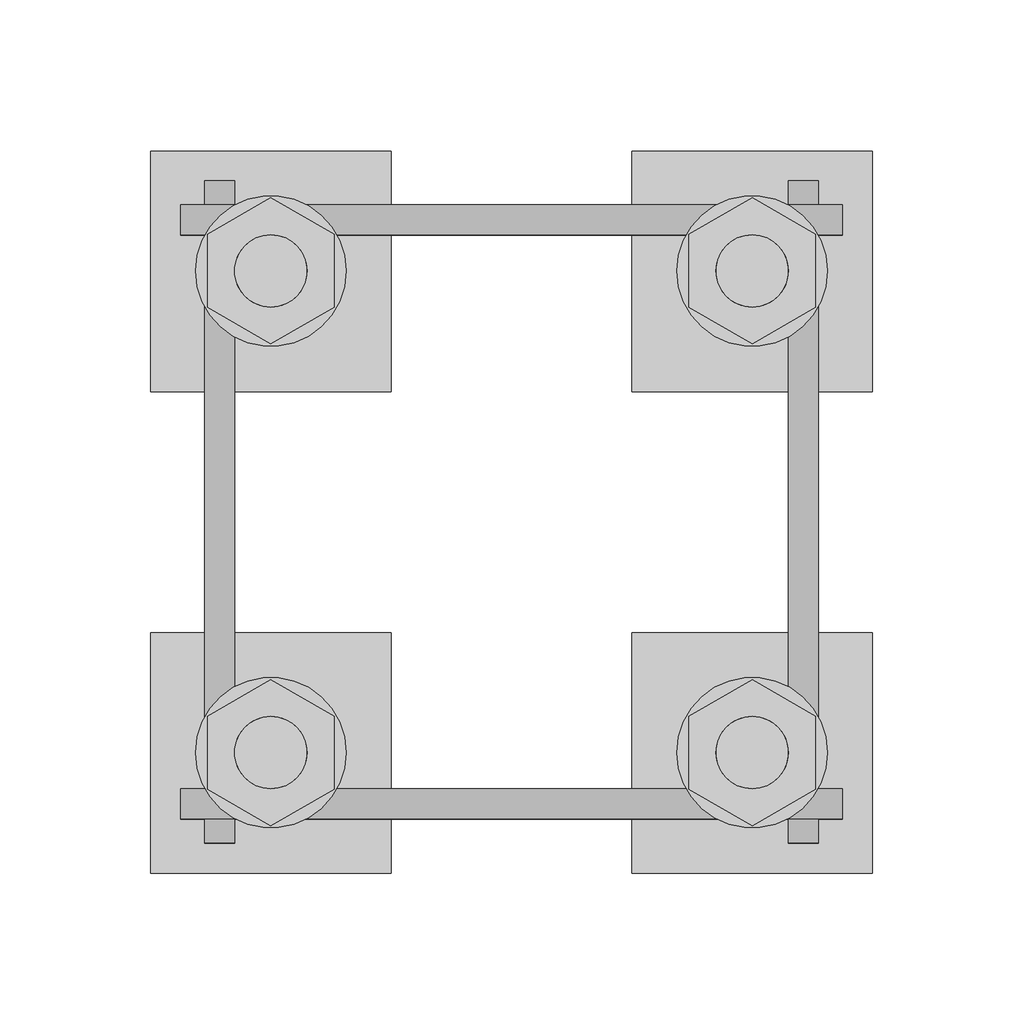
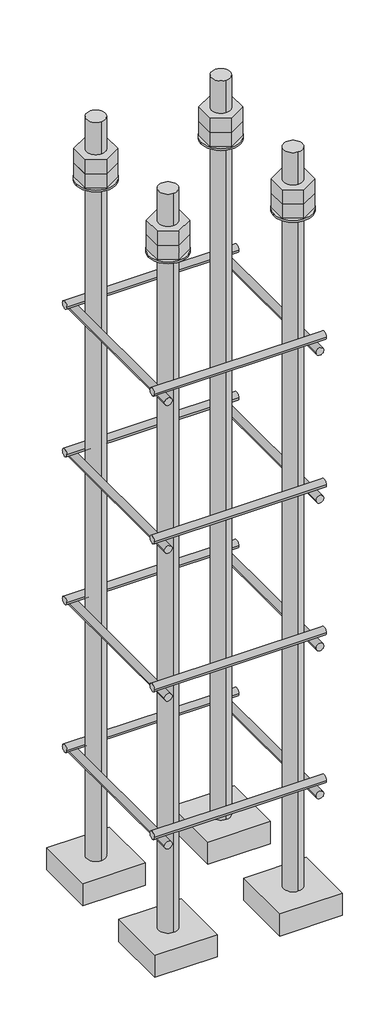
# One storey, part 14 of 66: 1 fastener.
"""IFC4 building model written with IfcOpenShell, lengths in millimetres."""

from ifc_helpers import new_model, si_unit, point, frame, frame_2d, origin, place, context, project, spatial, polyline, circle_curve, trimmed, segment, composite_curve, outline, extrude, element, save
from ifc_brep_helpers import plane_surface, cylinder_surface, advanced_brep

model = new_model("IFC4")

# Units and contexts
model_context = context("Model", 3, world=origin())
ifc_project = project(units=[si_unit("LENGTHUNIT", "METRE", prefix="MILLI")], contexts=[model_context])

# Site, building, storey
site = spatial("IfcSite", under=ifc_project)
building = spatial("IfcBuilding", under=site)
storey = spatial("IfcBuildingStorey", under=building, Elevation=9070.0)

# Fastener
placement = place(None, origin())
element("IfcFastener", 1, ObjectType="AU1 : AU-01", at=placement, inside=storey, context=model_context, shape_type="SolidModel", body=[
    extrude(outline(composite_curve([segment(trimmed(circle_curve(frame_2d((26703.0, 8395.0)), 5.0), [point((26698.0, 8395.0))], [point((26708.0, 8395.0))], False, "CARTESIAN"), True, "CONTINUOUS"), segment(trimmed(circle_curve(frame_2d((26703.0, 8395.0)), 5.0), [point((26708.0, 8395.0))], [point((26698.0, 8395.0))], False, "CARTESIAN"), True, "CONTINUOUS")], self_intersect=False)), frame((18890.0, 0.0, 0.0), z_axis=(1.0, 0.0, 0.0), x_axis=(0.0, 1.0, 0.0)), (0.0, 0.0, 1.0), 220.0),
    extrude(outline(composite_curve([segment(trimmed(circle_curve(frame_2d((26897.0, 8395.0)), 5.0), [point((26902.0, 8395.0))], [point((26892.0, 8395.0))], False, "CARTESIAN"), True, "CONTINUOUS"), segment(trimmed(circle_curve(frame_2d((26897.0, 8395.0)), 5.0), [point((26892.0, 8395.0))], [point((26902.0, 8395.0))], False, "CARTESIAN"), True, "CONTINUOUS")], self_intersect=False)), frame((18890.0, 0.0, 0.0), z_axis=(1.0, 0.0, 0.0), x_axis=(0.0, 1.0, 0.0)), (0.0, 0.0, 1.0), 220.0),
    extrude(outline(composite_curve([segment(trimmed(circle_curve(frame_2d((8385.0, 18903.0)), 5.0), [point((8385.0, 18898.0))], [point((8385.0, 18908.0))], False, "CARTESIAN"), True, "CONTINUOUS"), segment(trimmed(circle_curve(frame_2d((8385.0, 18903.0)), 5.0), [point((8385.0, 18908.0))], [point((8385.0, 18898.0))], False, "CARTESIAN"), True, "CONTINUOUS")], self_intersect=False)), frame((0.0, 26690.0, 0.0), z_axis=(0.0, 1.0, 0.0), x_axis=(0.0, 0.0, 1.0)), (0.0, 0.0, 1.0), 220.0),
    extrude(outline(composite_curve([segment(trimmed(circle_curve(frame_2d((8385.0, 19097.0)), 5.0), [point((8385.0, 19102.0))], [point((8385.0, 19092.0))], False, "CARTESIAN"), True, "CONTINUOUS"), segment(trimmed(circle_curve(frame_2d((8385.0, 19097.0)), 5.0), [point((8385.0, 19092.0))], [point((8385.0, 19102.0))], False, "CARTESIAN"), True, "CONTINUOUS")], self_intersect=False)), frame((0.0, 26690.0, 0.0), z_axis=(0.0, 1.0, 0.0), x_axis=(0.0, 0.0, 1.0)), (0.0, 0.0, 1.0), 220.0),
    extrude(outline(composite_curve([segment(trimmed(circle_curve(frame_2d((26703.0, 8595.0)), 5.0), [point((26698.0, 8595.0))], [point((26708.0, 8595.0))], False, "CARTESIAN"), True, "CONTINUOUS"), segment(trimmed(circle_curve(frame_2d((26703.0, 8595.0)), 5.0), [point((26708.0, 8595.0))], [point((26698.0, 8595.0))], False, "CARTESIAN"), True, "CONTINUOUS")], self_intersect=False)), frame((18890.0, 0.0, 0.0), z_axis=(1.0, 0.0, 0.0), x_axis=(0.0, 1.0, 0.0)), (0.0, 0.0, 1.0), 220.0),
    extrude(outline(composite_curve([segment(trimmed(circle_curve(frame_2d((26897.0, 8595.0)), 5.0), [point((26902.0, 8595.0))], [point((26892.0, 8595.0))], False, "CARTESIAN"), True, "CONTINUOUS"), segment(trimmed(circle_curve(frame_2d((26897.0, 8595.0)), 5.0), [point((26892.0, 8595.0))], [point((26902.0, 8595.0))], False, "CARTESIAN"), True, "CONTINUOUS")], self_intersect=False)), frame((18890.0, 0.0, 0.0), z_axis=(1.0, 0.0, 0.0), x_axis=(0.0, 1.0, 0.0)), (0.0, 0.0, 1.0), 220.0),
    extrude(outline(composite_curve([segment(trimmed(circle_curve(frame_2d((8585.0, 18903.0)), 5.0), [point((8585.0, 18898.0))], [point((8585.0, 18908.0))], False, "CARTESIAN"), True, "CONTINUOUS"), segment(trimmed(circle_curve(frame_2d((8585.0, 18903.0)), 5.0), [point((8585.0, 18908.0))], [point((8585.0, 18898.0))], False, "CARTESIAN"), True, "CONTINUOUS")], self_intersect=False)), frame((0.0, 26690.0, 0.0), z_axis=(0.0, 1.0, 0.0), x_axis=(0.0, 0.0, 1.0)), (0.0, 0.0, 1.0), 220.0),
    extrude(outline(composite_curve([segment(trimmed(circle_curve(frame_2d((8585.0, 19097.0)), 5.0), [point((8585.0, 19102.0))], [point((8585.0, 19092.0))], False, "CARTESIAN"), True, "CONTINUOUS"), segment(trimmed(circle_curve(frame_2d((8585.0, 19097.0)), 5.0), [point((8585.0, 19092.0))], [point((8585.0, 19102.0))], False, "CARTESIAN"), True, "CONTINUOUS")], self_intersect=False)), frame((0.0, 26690.0, 0.0), z_axis=(0.0, 1.0, 0.0), x_axis=(0.0, 0.0, 1.0)), (0.0, 0.0, 1.0), 220.0),
    extrude(outline(composite_curve([segment(trimmed(circle_curve(frame_2d((26703.0, 8795.0)), 5.0), [point((26698.0, 8795.0))], [point((26708.0, 8795.0))], False, "CARTESIAN"), True, "CONTINUOUS"), segment(trimmed(circle_curve(frame_2d((26703.0, 8795.0)), 5.0), [point((26708.0, 8795.0))], [point((26698.0, 8795.0))], False, "CARTESIAN"), True, "CONTINUOUS")], self_intersect=False)), frame((18890.0, 0.0, 0.0), z_axis=(1.0, 0.0, 0.0), x_axis=(0.0, 1.0, 0.0)), (0.0, 0.0, 1.0), 220.0),
    extrude(outline(composite_curve([segment(trimmed(circle_curve(frame_2d((26897.0, 8795.0)), 5.0), [point((26902.0, 8795.0))], [point((26892.0, 8795.0))], False, "CARTESIAN"), True, "CONTINUOUS"), segment(trimmed(circle_curve(frame_2d((26897.0, 8795.0)), 5.0), [point((26892.0, 8795.0))], [point((26902.0, 8795.0))], False, "CARTESIAN"), True, "CONTINUOUS")], self_intersect=False)), frame((18890.0, 0.0, 0.0), z_axis=(1.0, 0.0, 0.0), x_axis=(0.0, 1.0, 0.0)), (0.0, 0.0, 1.0), 220.0),
    extrude(outline(composite_curve([segment(trimmed(circle_curve(frame_2d((8785.0, 18903.0)), 5.0), [point((8785.0, 18898.0))], [point((8785.0, 18908.0))], False, "CARTESIAN"), True, "CONTINUOUS"), segment(trimmed(circle_curve(frame_2d((8785.0, 18903.0)), 5.0), [point((8785.0, 18908.0))], [point((8785.0, 18898.0))], False, "CARTESIAN"), True, "CONTINUOUS")], self_intersect=False)), frame((0.0, 26690.0, 0.0), z_axis=(0.0, 1.0, 0.0), x_axis=(0.0, 0.0, 1.0)), (0.0, 0.0, 1.0), 220.0),
    extrude(outline(composite_curve([segment(trimmed(circle_curve(frame_2d((8785.0, 19097.0)), 5.0), [point((8785.0, 19102.0))], [point((8785.0, 19092.0))], False, "CARTESIAN"), True, "CONTINUOUS"), segment(trimmed(circle_curve(frame_2d((8785.0, 19097.0)), 5.0), [point((8785.0, 19092.0))], [point((8785.0, 19102.0))], False, "CARTESIAN"), True, "CONTINUOUS")], self_intersect=False)), frame((0.0, 26690.0, 0.0), z_axis=(0.0, 1.0, 0.0), x_axis=(0.0, 0.0, 1.0)), (0.0, 0.0, 1.0), 220.0),
    extrude(outline(composite_curve([segment(trimmed(circle_curve(frame_2d((26703.0, 8995.0)), 5.0), [point((26698.0, 8995.0))], [point((26708.0, 8995.0))], False, "CARTESIAN"), True, "CONTINUOUS"), segment(trimmed(circle_curve(frame_2d((26703.0, 8995.0)), 5.0), [point((26708.0, 8995.0))], [point((26698.0, 8995.0))], False, "CARTESIAN"), True, "CONTINUOUS")], self_intersect=False)), frame((18890.0, 0.0, 0.0), z_axis=(1.0, 0.0, 0.0), x_axis=(0.0, 1.0, 0.0)), (0.0, 0.0, 1.0), 220.0),
    extrude(outline(composite_curve([segment(trimmed(circle_curve(frame_2d((26897.0, 8995.0)), 5.0), [point((26902.0, 8995.0))], [point((26892.0, 8995.0))], False, "CARTESIAN"), True, "CONTINUOUS"), segment(trimmed(circle_curve(frame_2d((26897.0, 8995.0)), 5.0), [point((26892.0, 8995.0))], [point((26902.0, 8995.0))], False, "CARTESIAN"), True, "CONTINUOUS")], self_intersect=False)), frame((18890.0, 0.0, 0.0), z_axis=(1.0, 0.0, 0.0), x_axis=(0.0, 1.0, 0.0)), (0.0, 0.0, 1.0), 220.0),
    extrude(outline(composite_curve([segment(trimmed(circle_curve(frame_2d((8985.0, 18903.0)), 5.0), [point((8985.0, 18898.0))], [point((8985.0, 18908.0))], False, "CARTESIAN"), True, "CONTINUOUS"), segment(trimmed(circle_curve(frame_2d((8985.0, 18903.0)), 5.0), [point((8985.0, 18908.0))], [point((8985.0, 18898.0))], False, "CARTESIAN"), True, "CONTINUOUS")], self_intersect=False)), frame((0.0, 26690.0, 0.0), z_axis=(0.0, 1.0, 0.0), x_axis=(0.0, 0.0, 1.0)), (0.0, 0.0, 1.0), 220.0),
    extrude(outline(composite_curve([segment(trimmed(circle_curve(frame_2d((8985.0, 19097.0)), 5.0), [point((8985.0, 19102.0))], [point((8985.0, 19092.0))], False, "CARTESIAN"), True, "CONTINUOUS"), segment(trimmed(circle_curve(frame_2d((8985.0, 19097.0)), 5.0), [point((8985.0, 19092.0))], [point((8985.0, 19102.0))], False, "CARTESIAN"), True, "CONTINUOUS")], self_intersect=False)), frame((0.0, 26690.0, 0.0), z_axis=(0.0, 1.0, 0.0), x_axis=(0.0, 0.0, 1.0)), (0.0, 0.0, 1.0), 220.0),
    advanced_brep(
    [(18960.0, 26920.0, 8250.0), (18880.0, 26920.0, 8250.0), (18880.0, 26840.0, 8250.0), (18960.0, 26840.0, 8250.0), (18920.0, 26868.0, 8250.0), (18920.0, 26892.0, 8250.0), (18960.0, 26920.0, 8220.0), (18960.0, 26840.0, 8220.0), (18880.0, 26840.0, 8220.0), (18880.0, 26920.0, 8220.0), (18920.0, 26892.0, 9250.0), (18920.0, 26868.0, 9250.0)],
    [
        (0, 1),
        (1, 2),
        (2, 3),
        (3, 0),
        (4, 5, circle_curve(frame((18920.0, 26880.0, 8250.0), z_axis=(0.0, 0.0, -1.0), x_axis=(0.0, -1.0, 0.0)), 12.0)),
        (5, 4, circle_curve(frame((18920.0, 26880.0, 8250.0), z_axis=(0.0, 0.0, -1.0), x_axis=(0.0, -1.0, 0.0)), 12.0)),
        (6, 7),
        (7, 8),
        (8, 9),
        (9, 6),
        (0, 6),
        (9, 1),
        (8, 2),
        (7, 3),
        (10, 11, circle_curve(frame((18920.0, 26880.0, 9250.0), z_axis=(0.0, 0.0, 1.0), x_axis=(0.0, -1.0, 0.0)), 12.0)),
        (11, 10, circle_curve(frame((18920.0, 26880.0, 9250.0), z_axis=(0.0, 0.0, 1.0), x_axis=(0.0, -1.0, 0.0)), 12.0)),
        (10, 5),
        (4, 11),
    ],
    [
        plane_surface(frame((18880.0, 26920.0, 8250.0), z_axis=(0.0, 0.0, 1.0), x_axis=(-1.0, 0.0, 0.0))),
        plane_surface(frame((18880.0, 26920.0, 8220.0), z_axis=(0.0, 0.0, -1.0), x_axis=(1.0, 0.0, 0.0))),
        plane_surface(frame((18960.0, 26920.0, 8250.0), z_axis=(0.0, 1.0, 0.0), x_axis=(0.0, 0.0, -1.0))),
        plane_surface(frame((18880.0, 26920.0, 8250.0), z_axis=(-1.0, 0.0, 0.0), x_axis=(0.0, 0.0, -1.0))),
        plane_surface(frame((18880.0, 26840.0, 8250.0), z_axis=(0.0, -1.0, 0.0), x_axis=(0.0, 0.0, -1.0))),
        plane_surface(frame((18960.0, 26840.0, 8250.0), z_axis=(1.0, 0.0, 0.0), x_axis=(0.0, 0.0, -1.0))),
        plane_surface(frame((18920.0, 26880.0, 9250.0), z_axis=(0.0, 0.0, 1.0), x_axis=(0.0, -1.0, 0.0))),
        cylinder_surface(frame((18920.0, 26880.0, 9250.0), z_axis=(0.0, 0.0, 1.0), x_axis=(0.0, -1.0, 0.0)), 12.0),
    ],
    [
        (0, [[1, 2, 3, 4], [5, 6]]),
        (1, [[7, 8, 9, 10]]),
        (2, [[-1, 11, -10, 12]]),
        (3, [[-2, -12, -9, 13]]),
        (4, [[-3, -13, -8, 14]]),
        (5, [[-4, -14, -7, -11]]),
        (6, [[15, 16]]),
        (7, [[-15, 17, -5, 18]]),
        (7, [[-16, -18, -6, -17]]),
    ],
),
    extrude(outline(composite_curve([segment(trimmed(circle_curve(frame_2d((18920.0, 26880.0)), 25.0), [point((18945.0, 26880.0))], [point((18895.0, 26880.0))], False, "CARTESIAN"), True, "CONTINUOUS"), segment(trimmed(circle_curve(frame_2d((18920.0, 26880.0)), 25.0), [point((18895.0, 26880.0))], [point((18945.0, 26880.0))], False, "CARTESIAN"), True, "CONTINUOUS")], self_intersect=False), holes=[composite_curve([segment(trimmed(circle_curve(frame_2d((18920.0, 26880.0)), 12.0), [point((18932.0, 26880.0))], [point((18908.0, 26880.0))], True, "CARTESIAN"), True, "CONTINUOUS"), segment(trimmed(circle_curve(frame_2d((18920.0, 26880.0)), 12.0), [point((18908.0, 26880.0))], [point((18932.0, 26880.0))], True, "CARTESIAN"), True, "CONTINUOUS")], self_intersect=False)]), frame((0.0, 0.0, 9165.0), z_axis=(0.0, 0.0, 1.0), x_axis=(1.0, 0.0, 0.0)), (0.0, 0.0, 1.0), 2.5),
    extrude(outline(polyline([(18920.0, 26904.2487113), (18941.0, 26892.1243557), (18941.0, 26867.8756443), (18920.0, 26855.7512887), (18899.0, 26867.8756443), (18899.0, 26892.1243557), (18920.0, 26904.2487113)]), holes=[composite_curve([segment(trimmed(circle_curve(frame_2d((18920.0, 26880.0)), 12.0), [point((18932.0, 26880.0))], [point((18908.0, 26880.0))], True, "CARTESIAN"), True, "CONTINUOUS"), segment(trimmed(circle_curve(frame_2d((18920.0, 26880.0)), 12.0), [point((18908.0, 26880.0))], [point((18932.0, 26880.0))], True, "CARTESIAN"), True, "CONTINUOUS")], self_intersect=False)]), frame((0.0, 0.0, 9187.0), z_axis=(0.0, 0.0, 1.0), x_axis=(1.0, 0.0, 0.0)), (0.0, 0.0, 1.0), 19.5),
    extrude(outline(polyline([(18920.0, 26904.2487113), (18941.0, 26892.1243557), (18941.0, 26867.8756443), (18920.0, 26855.7512887), (18899.0, 26867.8756443), (18899.0, 26892.1243557), (18920.0, 26904.2487113)]), holes=[composite_curve([segment(trimmed(circle_curve(frame_2d((18920.0, 26880.0)), 12.0), [point((18932.0, 26880.0))], [point((18908.0, 26880.0))], True, "CARTESIAN"), True, "CONTINUOUS"), segment(trimmed(circle_curve(frame_2d((18920.0, 26880.0)), 12.0), [point((18908.0, 26880.0))], [point((18932.0, 26880.0))], True, "CARTESIAN"), True, "CONTINUOUS")], self_intersect=False)]), frame((0.0, 0.0, 9167.5), z_axis=(0.0, 0.0, 1.0), x_axis=(1.0, 0.0, 0.0)), (0.0, 0.0, 1.0), 19.5),
    advanced_brep(
    [(19040.0, 26840.0, 8250.0), (19120.0, 26840.0, 8250.0), (19120.0, 26920.0, 8250.0), (19040.0, 26920.0, 8250.0), (19080.0, 26892.0, 8250.0), (19080.0, 26868.0, 8250.0), (19040.0, 26840.0, 8220.0), (19040.0, 26920.0, 8220.0), (19120.0, 26920.0, 8220.0), (19120.0, 26840.0, 8220.0), (19080.0, 26868.0, 9250.0), (19080.0, 26892.0, 9250.0)],
    [
        (0, 1),
        (1, 2),
        (2, 3),
        (3, 0),
        (4, 5, circle_curve(frame((19080.0, 26880.0, 8250.0), z_axis=(0.0, 0.0, -1.0), x_axis=(0.0, 1.0, 0.0)), 12.0)),
        (5, 4, circle_curve(frame((19080.0, 26880.0, 8250.0), z_axis=(0.0, 0.0, -1.0), x_axis=(0.0, 1.0, 0.0)), 12.0)),
        (6, 7),
        (7, 8),
        (8, 9),
        (9, 6),
        (0, 6),
        (9, 1),
        (8, 2),
        (7, 3),
        (10, 11, circle_curve(frame((19080.0, 26880.0, 9250.0), z_axis=(0.0, 0.0, 1.0), x_axis=(0.0, 1.0, 0.0)), 12.0)),
        (11, 10, circle_curve(frame((19080.0, 26880.0, 9250.0), z_axis=(0.0, 0.0, 1.0), x_axis=(0.0, 1.0, 0.0)), 12.0)),
        (10, 5),
        (4, 11),
    ],
    [
        plane_surface(frame((19120.0, 26840.0, 8250.0), z_axis=(0.0, 0.0, 1.0), x_axis=(1.0, 0.0, 0.0))),
        plane_surface(frame((19120.0, 26840.0, 8220.0), z_axis=(0.0, 0.0, -1.0), x_axis=(-1.0, 0.0, 0.0))),
        plane_surface(frame((19040.0, 26840.0, 8250.0), z_axis=(0.0, -1.0, 0.0), x_axis=(0.0, 0.0, -1.0))),
        plane_surface(frame((19120.0, 26840.0, 8250.0), z_axis=(1.0, 0.0, 0.0), x_axis=(0.0, 0.0, -1.0))),
        plane_surface(frame((19120.0, 26920.0, 8250.0), z_axis=(0.0, 1.0, 0.0), x_axis=(0.0, 0.0, -1.0))),
        plane_surface(frame((19040.0, 26920.0, 8250.0), z_axis=(-1.0, 0.0, 0.0), x_axis=(0.0, 0.0, -1.0))),
        plane_surface(frame((19080.0, 26880.0, 9250.0), z_axis=(0.0, 0.0, 1.0), x_axis=(0.0, 1.0, 0.0))),
        cylinder_surface(frame((19080.0, 26880.0, 9250.0), z_axis=(0.0, 0.0, 1.0), x_axis=(0.0, 1.0, 0.0)), 12.0),
    ],
    [
        (0, [[1, 2, 3, 4], [5, 6]]),
        (1, [[7, 8, 9, 10]]),
        (2, [[-1, 11, -10, 12]]),
        (3, [[-2, -12, -9, 13]]),
        (4, [[-3, -13, -8, 14]]),
        (5, [[-4, -14, -7, -11]]),
        (6, [[15, 16]]),
        (7, [[-15, 17, -5, 18]]),
        (7, [[-16, -18, -6, -17]]),
    ],
),
    extrude(outline(composite_curve([segment(trimmed(circle_curve(frame_2d((19080.0, 26880.0)), 25.0), [point((19055.0, 26880.0))], [point((19105.0, 26880.0))], False, "CARTESIAN"), True, "CONTINUOUS"), segment(trimmed(circle_curve(frame_2d((19080.0, 26880.0)), 25.0), [point((19105.0, 26880.0))], [point((19055.0, 26880.0))], False, "CARTESIAN"), True, "CONTINUOUS")], self_intersect=False), holes=[composite_curve([segment(trimmed(circle_curve(frame_2d((19080.0, 26880.0)), 12.0), [point((19068.0, 26880.0))], [point((19092.0, 26880.0))], True, "CARTESIAN"), True, "CONTINUOUS"), segment(trimmed(circle_curve(frame_2d((19080.0, 26880.0)), 12.0), [point((19092.0, 26880.0))], [point((19068.0, 26880.0))], True, "CARTESIAN"), True, "CONTINUOUS")], self_intersect=False)]), frame((0.0, 0.0, 9165.0), z_axis=(0.0, 0.0, 1.0), x_axis=(1.0, 0.0, 0.0)), (0.0, 0.0, 1.0), 2.5),
    extrude(outline(polyline([(19080.0, 26855.7512887), (19059.0, 26867.8756443), (19059.0, 26892.1243557), (19080.0, 26904.2487113), (19101.0, 26892.1243557), (19101.0, 26867.8756443), (19080.0, 26855.7512887)]), holes=[composite_curve([segment(trimmed(circle_curve(frame_2d((19080.0, 26880.0)), 12.0), [point((19068.0, 26880.0))], [point((19092.0, 26880.0))], True, "CARTESIAN"), True, "CONTINUOUS"), segment(trimmed(circle_curve(frame_2d((19080.0, 26880.0)), 12.0), [point((19092.0, 26880.0))], [point((19068.0, 26880.0))], True, "CARTESIAN"), True, "CONTINUOUS")], self_intersect=False)]), frame((0.0, 0.0, 9187.0), z_axis=(0.0, 0.0, 1.0), x_axis=(1.0, 0.0, 0.0)), (0.0, 0.0, 1.0), 19.5),
    extrude(outline(polyline([(19080.0, 26855.7512887), (19059.0, 26867.8756443), (19059.0, 26892.1243557), (19080.0, 26904.2487113), (19101.0, 26892.1243557), (19101.0, 26867.8756443), (19080.0, 26855.7512887)]), holes=[composite_curve([segment(trimmed(circle_curve(frame_2d((19080.0, 26880.0)), 12.0), [point((19068.0, 26880.0))], [point((19092.0, 26880.0))], True, "CARTESIAN"), True, "CONTINUOUS"), segment(trimmed(circle_curve(frame_2d((19080.0, 26880.0)), 12.0), [point((19092.0, 26880.0))], [point((19068.0, 26880.0))], True, "CARTESIAN"), True, "CONTINUOUS")], self_intersect=False)]), frame((0.0, 0.0, 9167.5), z_axis=(0.0, 0.0, 1.0), x_axis=(1.0, 0.0, 0.0)), (0.0, 0.0, 1.0), 19.5),
    advanced_brep(
    [(19040.0, 26680.0, 8250.0), (19120.0, 26680.0, 8250.0), (19120.0, 26760.0, 8250.0), (19040.0, 26760.0, 8250.0), (19080.0, 26732.0, 8250.0), (19080.0, 26708.0, 8250.0), (19040.0, 26680.0, 8220.0), (19040.0, 26760.0, 8220.0), (19120.0, 26760.0, 8220.0), (19120.0, 26680.0, 8220.0), (19080.0, 26708.0, 9250.0), (19080.0, 26732.0, 9250.0)],
    [
        (0, 1),
        (1, 2),
        (2, 3),
        (3, 0),
        (4, 5, circle_curve(frame((19080.0, 26720.0, 8250.0), z_axis=(0.0, 0.0, -1.0), x_axis=(0.0, 1.0, 0.0)), 12.0)),
        (5, 4, circle_curve(frame((19080.0, 26720.0, 8250.0), z_axis=(0.0, 0.0, -1.0), x_axis=(0.0, 1.0, 0.0)), 12.0)),
        (6, 7),
        (7, 8),
        (8, 9),
        (9, 6),
        (0, 6),
        (9, 1),
        (8, 2),
        (7, 3),
        (10, 11, circle_curve(frame((19080.0, 26720.0, 9250.0), z_axis=(0.0, 0.0, 1.0), x_axis=(0.0, 1.0, 0.0)), 12.0)),
        (11, 10, circle_curve(frame((19080.0, 26720.0, 9250.0), z_axis=(0.0, 0.0, 1.0), x_axis=(0.0, 1.0, 0.0)), 12.0)),
        (10, 5),
        (4, 11),
    ],
    [
        plane_surface(frame((19120.0, 26680.0, 8250.0), z_axis=(0.0, 0.0, 1.0), x_axis=(1.0, 0.0, 0.0))),
        plane_surface(frame((19120.0, 26680.0, 8220.0), z_axis=(0.0, 0.0, -1.0), x_axis=(-1.0, 0.0, 0.0))),
        plane_surface(frame((19040.0, 26680.0, 8250.0), z_axis=(0.0, -1.0, 0.0), x_axis=(0.0, 0.0, -1.0))),
        plane_surface(frame((19120.0, 26680.0, 8250.0), z_axis=(1.0, 0.0, 0.0), x_axis=(0.0, 0.0, -1.0))),
        plane_surface(frame((19120.0, 26760.0, 8250.0), z_axis=(0.0, 1.0, 0.0), x_axis=(0.0, 0.0, -1.0))),
        plane_surface(frame((19040.0, 26760.0, 8250.0), z_axis=(-1.0, 0.0, 0.0), x_axis=(0.0, 0.0, -1.0))),
        plane_surface(frame((19080.0, 26720.0, 9250.0), z_axis=(0.0, 0.0, 1.0), x_axis=(0.0, 1.0, 0.0))),
        cylinder_surface(frame((19080.0, 26720.0, 9250.0), z_axis=(0.0, 0.0, 1.0), x_axis=(0.0, 1.0, 0.0)), 12.0),
    ],
    [
        (0, [[1, 2, 3, 4], [5, 6]]),
        (1, [[7, 8, 9, 10]]),
        (2, [[-1, 11, -10, 12]]),
        (3, [[-2, -12, -9, 13]]),
        (4, [[-3, -13, -8, 14]]),
        (5, [[-4, -14, -7, -11]]),
        (6, [[15, 16]]),
        (7, [[-15, 17, -5, 18]]),
        (7, [[-16, -18, -6, -17]]),
    ],
),
    extrude(outline(composite_curve([segment(trimmed(circle_curve(frame_2d((19080.0, 26720.0)), 25.0), [point((19055.0, 26720.0))], [point((19105.0, 26720.0))], False, "CARTESIAN"), True, "CONTINUOUS"), segment(trimmed(circle_curve(frame_2d((19080.0, 26720.0)), 25.0), [point((19105.0, 26720.0))], [point((19055.0, 26720.0))], False, "CARTESIAN"), True, "CONTINUOUS")], self_intersect=False), holes=[composite_curve([segment(trimmed(circle_curve(frame_2d((19080.0, 26720.0)), 12.0), [point((19068.0, 26720.0))], [point((19092.0, 26720.0))], True, "CARTESIAN"), True, "CONTINUOUS"), segment(trimmed(circle_curve(frame_2d((19080.0, 26720.0)), 12.0), [point((19092.0, 26720.0))], [point((19068.0, 26720.0))], True, "CARTESIAN"), True, "CONTINUOUS")], self_intersect=False)]), frame((0.0, 0.0, 9165.0), z_axis=(0.0, 0.0, 1.0), x_axis=(1.0, 0.0, 0.0)), (0.0, 0.0, 1.0), 2.5),
    extrude(outline(polyline([(19080.0, 26695.7512887), (19059.0, 26707.8756443), (19059.0, 26732.1243557), (19080.0, 26744.2487113), (19101.0, 26732.1243557), (19101.0, 26707.8756443), (19080.0, 26695.7512887)]), holes=[composite_curve([segment(trimmed(circle_curve(frame_2d((19080.0, 26720.0)), 12.0), [point((19068.0, 26720.0))], [point((19092.0, 26720.0))], True, "CARTESIAN"), True, "CONTINUOUS"), segment(trimmed(circle_curve(frame_2d((19080.0, 26720.0)), 12.0), [point((19092.0, 26720.0))], [point((19068.0, 26720.0))], True, "CARTESIAN"), True, "CONTINUOUS")], self_intersect=False)]), frame((0.0, 0.0, 9187.0), z_axis=(0.0, 0.0, 1.0), x_axis=(1.0, 0.0, 0.0)), (0.0, 0.0, 1.0), 19.5),
    extrude(outline(polyline([(19080.0, 26695.7512887), (19059.0, 26707.8756443), (19059.0, 26732.1243557), (19080.0, 26744.2487113), (19101.0, 26732.1243557), (19101.0, 26707.8756443), (19080.0, 26695.7512887)]), holes=[composite_curve([segment(trimmed(circle_curve(frame_2d((19080.0, 26720.0)), 12.0), [point((19068.0, 26720.0))], [point((19092.0, 26720.0))], True, "CARTESIAN"), True, "CONTINUOUS"), segment(trimmed(circle_curve(frame_2d((19080.0, 26720.0)), 12.0), [point((19092.0, 26720.0))], [point((19068.0, 26720.0))], True, "CARTESIAN"), True, "CONTINUOUS")], self_intersect=False)]), frame((0.0, 0.0, 9167.5), z_axis=(0.0, 0.0, 1.0), x_axis=(1.0, 0.0, 0.0)), (0.0, 0.0, 1.0), 19.5),
    advanced_brep(
    [(18960.0, 26760.0, 8250.0), (18880.0, 26760.0, 8250.0), (18880.0, 26680.0, 8250.0), (18960.0, 26680.0, 8250.0), (18920.0, 26708.0, 8250.0), (18920.0, 26732.0, 8250.0), (18960.0, 26760.0, 8220.0), (18960.0, 26680.0, 8220.0), (18880.0, 26680.0, 8220.0), (18880.0, 26760.0, 8220.0), (18920.0, 26732.0, 9250.0), (18920.0, 26708.0, 9250.0)],
    [
        (0, 1),
        (1, 2),
        (2, 3),
        (3, 0),
        (4, 5, circle_curve(frame((18920.0, 26720.0, 8250.0), z_axis=(0.0, 0.0, -1.0), x_axis=(0.0, -1.0, 0.0)), 12.0)),
        (5, 4, circle_curve(frame((18920.0, 26720.0, 8250.0), z_axis=(0.0, 0.0, -1.0), x_axis=(0.0, -1.0, 0.0)), 12.0)),
        (6, 7),
        (7, 8),
        (8, 9),
        (9, 6),
        (0, 6),
        (9, 1),
        (8, 2),
        (7, 3),
        (10, 11, circle_curve(frame((18920.0, 26720.0, 9250.0), z_axis=(0.0, 0.0, 1.0), x_axis=(0.0, -1.0, 0.0)), 12.0)),
        (11, 10, circle_curve(frame((18920.0, 26720.0, 9250.0), z_axis=(0.0, 0.0, 1.0), x_axis=(0.0, -1.0, 0.0)), 12.0)),
        (10, 5),
        (4, 11),
    ],
    [
        plane_surface(frame((18880.0, 26760.0, 8250.0), z_axis=(0.0, 0.0, 1.0), x_axis=(-1.0, 0.0, 0.0))),
        plane_surface(frame((18880.0, 26760.0, 8220.0), z_axis=(0.0, 0.0, -1.0), x_axis=(1.0, 0.0, 0.0))),
        plane_surface(frame((18960.0, 26760.0, 8250.0), z_axis=(0.0, 1.0, 0.0), x_axis=(0.0, 0.0, -1.0))),
        plane_surface(frame((18880.0, 26760.0, 8250.0), z_axis=(-1.0, 0.0, 0.0), x_axis=(0.0, 0.0, -1.0))),
        plane_surface(frame((18880.0, 26680.0, 8250.0), z_axis=(0.0, -1.0, 0.0), x_axis=(0.0, 0.0, -1.0))),
        plane_surface(frame((18960.0, 26680.0, 8250.0), z_axis=(1.0, 0.0, 0.0), x_axis=(0.0, 0.0, -1.0))),
        plane_surface(frame((18920.0, 26720.0, 9250.0), z_axis=(0.0, 0.0, 1.0), x_axis=(0.0, -1.0, 0.0))),
        cylinder_surface(frame((18920.0, 26720.0, 9250.0), z_axis=(0.0, 0.0, 1.0), x_axis=(0.0, -1.0, 0.0)), 12.0),
    ],
    [
        (0, [[1, 2, 3, 4], [5, 6]]),
        (1, [[7, 8, 9, 10]]),
        (2, [[-1, 11, -10, 12]]),
        (3, [[-2, -12, -9, 13]]),
        (4, [[-3, -13, -8, 14]]),
        (5, [[-4, -14, -7, -11]]),
        (6, [[15, 16]]),
        (7, [[-15, 17, -5, 18]]),
        (7, [[-16, -18, -6, -17]]),
    ],
),
    extrude(outline(composite_curve([segment(trimmed(circle_curve(frame_2d((18920.0, 26720.0)), 25.0), [point((18945.0, 26720.0))], [point((18895.0, 26720.0))], False, "CARTESIAN"), True, "CONTINUOUS"), segment(trimmed(circle_curve(frame_2d((18920.0, 26720.0)), 25.0), [point((18895.0, 26720.0))], [point((18945.0, 26720.0))], False, "CARTESIAN"), True, "CONTINUOUS")], self_intersect=False), holes=[composite_curve([segment(trimmed(circle_curve(frame_2d((18920.0, 26720.0)), 12.0), [point((18932.0, 26720.0))], [point((18908.0, 26720.0))], True, "CARTESIAN"), True, "CONTINUOUS"), segment(trimmed(circle_curve(frame_2d((18920.0, 26720.0)), 12.0), [point((18908.0, 26720.0))], [point((18932.0, 26720.0))], True, "CARTESIAN"), True, "CONTINUOUS")], self_intersect=False)]), frame((0.0, 0.0, 9165.0), z_axis=(0.0, 0.0, 1.0), x_axis=(1.0, 0.0, 0.0)), (0.0, 0.0, 1.0), 2.5),
    extrude(outline(polyline([(18920.0, 26744.2487113), (18941.0, 26732.1243557), (18941.0, 26707.8756443), (18920.0, 26695.7512887), (18899.0, 26707.8756443), (18899.0, 26732.1243557), (18920.0, 26744.2487113)]), holes=[composite_curve([segment(trimmed(circle_curve(frame_2d((18920.0, 26720.0)), 12.0), [point((18932.0, 26720.0))], [point((18908.0, 26720.0))], True, "CARTESIAN"), True, "CONTINUOUS"), segment(trimmed(circle_curve(frame_2d((18920.0, 26720.0)), 12.0), [point((18908.0, 26720.0))], [point((18932.0, 26720.0))], True, "CARTESIAN"), True, "CONTINUOUS")], self_intersect=False)]), frame((0.0, 0.0, 9187.0), z_axis=(0.0, 0.0, 1.0), x_axis=(1.0, 0.0, 0.0)), (0.0, 0.0, 1.0), 19.5),
    extrude(outline(polyline([(18920.0, 26744.2487113), (18941.0, 26732.1243557), (18941.0, 26707.8756443), (18920.0, 26695.7512887), (18899.0, 26707.8756443), (18899.0, 26732.1243557), (18920.0, 26744.2487113)]), holes=[composite_curve([segment(trimmed(circle_curve(frame_2d((18920.0, 26720.0)), 12.0), [point((18932.0, 26720.0))], [point((18908.0, 26720.0))], True, "CARTESIAN"), True, "CONTINUOUS"), segment(trimmed(circle_curve(frame_2d((18920.0, 26720.0)), 12.0), [point((18908.0, 26720.0))], [point((18932.0, 26720.0))], True, "CARTESIAN"), True, "CONTINUOUS")], self_intersect=False)]), frame((0.0, 0.0, 9167.5), z_axis=(0.0, 0.0, 1.0), x_axis=(1.0, 0.0, 0.0)), (0.0, 0.0, 1.0), 19.5),
])

save(model, "model.ifc")
